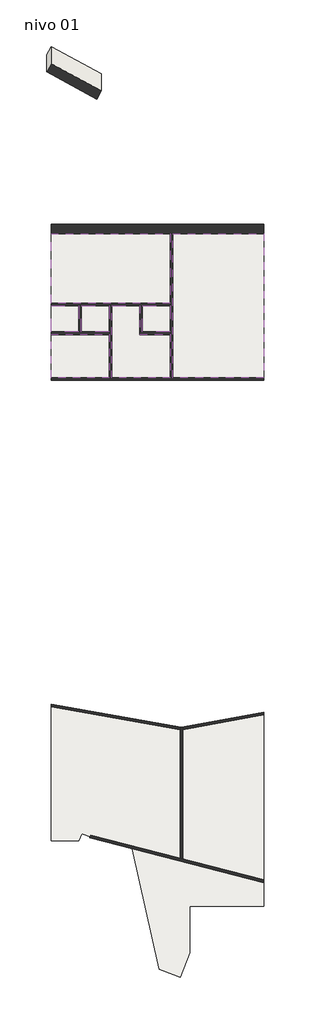
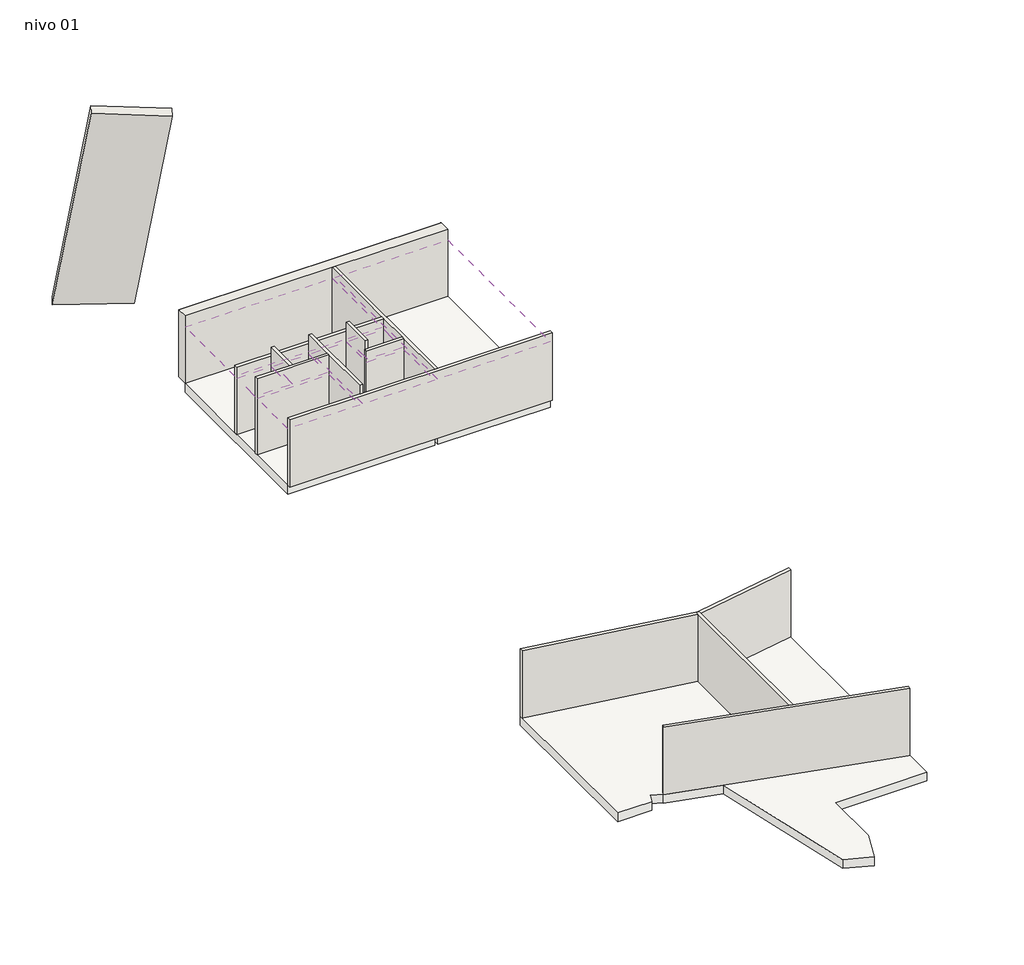
# One storey: 15 walls, 7 coverings, 3 slabs.
"""IFC4 building model written with IfcOpenShell, lengths in millimetres."""

from ifc_helpers import new_model, si_unit, frame, origin, place, context, project, spatial, polyline, outline, extrude, faceted_brep, element, save

model = new_model("IFC4")

# Units and contexts
model_context = context("Model", 3, world=origin())
ifc_project = project(units=[si_unit("LENGTHUNIT", "METRE", prefix="MILLI")], contexts=[model_context])

# Site, building, storey
site = spatial("IfcSite", under=ifc_project)
building = spatial("IfcBuilding", under=site)
storey = spatial("IfcBuildingStorey", under=building, Name="nivo 01", Elevation=3500.0)

# Coverings
placement = place(None, origin())
element("IfcCovering", 1, ObjectType="Raster 60x120", at=placement, inside=storey, context=model_context, shape_type="SweptSolid", body=[
    extrude(outline(polyline([(5734.6211823, 17026.6266248), (5734.6211823, 9296.1625103), (837.3151795, 9296.1625103), (837.3151795, 17026.6266248), (5734.6211823, 17026.6266248)])), frame((0.0, 0.0, 6100.0), z_axis=(0.0, 0.0, 1.0), x_axis=(1.0, 0.0, 0.0)), (0.0, 0.0, 1.0), 52.0),
])
element("IfcCovering", 2, ObjectType="Raster 60x120", at=placement, inside=storey, context=model_context, shape_type="SweptSolid", body=[
    extrude(outline(polyline([(702.3151795, 13282.2839664), (-5685.1848205, 13282.2839664), (-5685.1848205, 17026.6266248), (702.3151795, 17026.6266248), (702.3151795, 13282.2839664)])), frame((0.0, 0.0, 6100.0), z_axis=(0.0, 0.0, 1.0), x_axis=(1.0, 0.0, 0.0)), (0.0, 0.0, 1.0), 52.0),
])
element("IfcCovering", 3, ObjectType="Raster 60x120", at=placement, inside=storey, context=model_context, shape_type="SweptSolid", body=[
    extrude(outline(polyline([(702.3151795, 13147.2839664), (702.3151795, 11747.2839664), (-793.3098205, 11747.2839664), (-793.3098205, 13147.2839664), (702.3151795, 13147.2839664)])), frame((0.0, 0.0, 6100.0), z_axis=(0.0, 0.0, 1.0), x_axis=(1.0, 0.0, 0.0)), (0.0, 0.0, 1.0), 52.0),
])
element("IfcCovering", 4, ObjectType="Raster 60x120", at=placement, inside=storey, context=model_context, shape_type="SweptSolid", body=[
    extrude(outline(polyline([(702.3151795, 11612.2839664), (702.3151795, 9296.1625103), (-2423.9348205, 9296.1625103), (-2423.9348205, 13147.2839664), (-928.3098205, 13147.2839664), (-928.3098205, 11612.2839664), (702.3151795, 11612.2839664)])), frame((0.0, 0.0, 6100.0), z_axis=(0.0, 0.0, 1.0), x_axis=(1.0, 0.0, 0.0)), (0.0, 0.0, 1.0), 52.0),
])
element("IfcCovering", 5, ObjectType="Raster 60x120", at=placement, inside=storey, context=model_context, shape_type="SweptSolid", body=[
    extrude(outline(polyline([(-5685.1848205, 9296.1625103), (-5685.1848205, 11612.2839664), (-2558.9348205, 11612.2839664), (-2558.9348205, 9296.1625103), (-5685.1848205, 9296.1625103)])), frame((0.0, 0.0, 6100.0), z_axis=(0.0, 0.0, 1.0), x_axis=(1.0, 0.0, 0.0)), (0.0, 0.0, 1.0), 52.0),
])
element("IfcCovering", 6, ObjectType="Raster 60x120", at=placement, inside=storey, context=model_context, shape_type="SweptSolid", body=[
    extrude(outline(polyline([(-4054.5598205, 13147.2839664), (-2558.9348205, 13147.2839664), (-2558.9348205, 11747.2839664), (-4054.5598205, 11747.2839664), (-4054.5598205, 13147.2839664)])), frame((0.0, 0.0, 6100.0), z_axis=(0.0, 0.0, 1.0), x_axis=(1.0, 0.0, 0.0)), (0.0, 0.0, 1.0), 52.0),
])
element("IfcCovering", 7, ObjectType="Raster 60x120", at=placement, inside=storey, context=model_context, shape_type="SweptSolid", body=[
    extrude(outline(polyline([(-5685.1848205, 11747.2839664), (-5685.1848205, 13147.2839664), (-4189.5598205, 13147.2839664), (-4189.5598205, 11747.2839664), (-5685.1848205, 11747.2839664)])), frame((0.0, 0.0, 6100.0), z_axis=(0.0, 0.0, 1.0), x_axis=(1.0, 0.0, 0.0)), (0.0, 0.0, 1.0), 52.0),
])

# Slabs
element("IfcSlab", 8, at=placement, inside=storey, context=model_context, shape_type="SweptSolid", body=[
    extrude(outline(polyline([(1310.9813552, -9448.326466), (5734.6211391, -8653.0133704), (5734.6211391, -19049.7580117), (1749.904427, -19049.7580117), (1749.904427, -21540.8956828), (1240.7413575, -22867.3108273), (116.2807237, -22435.6708311), (-1321.85755, -15952.3887518), (-3596.7578587, -15363.1194669), (-3582.3111987, -15325.4846309), (-4039.7656076, -15149.8843356), (-4190.2801464, -15541.9881147), (-5685.1848637, -15541.9881147), (-5685.1848637, -8214.7858063), (1310.9813552, -9448.326466)])), frame((0.0, 0.0, 3100.0), z_axis=(0.0, 0.0, 1.0), x_axis=(1.0, 0.0, 0.0)), (0.0, 0.0, 1.0), 400.0),
])
element("IfcSlab", 9, at=placement, inside=storey, context=model_context, shape_type="SweptSolid", body=[
    extrude(outline(polyline([(-5685.1848205, 17026.6266248), (702.3151795, 17026.6266248), (702.3151795, 9296.1625103), (-5685.1848205, 9296.1625103), (-5685.1848205, 17026.6266248)])), frame((0.0, 0.0, 3100.0), z_axis=(0.0, 0.0, 1.0), x_axis=(1.0, 0.0, 0.0)), (0.0, 0.0, 1.0), 400.0),
])
element("IfcSlab", 10, at=placement, inside=storey, context=model_context, shape_type="SweptSolid", body=[
    extrude(outline(polyline([(5734.6211823, 17026.6266248), (5734.6211823, 9296.1625103), (837.3151795, 9296.1625103), (837.3151795, 17026.6266248), (5734.6211823, 17026.6266248)])), frame((0.0, 0.0, 3100.0), z_axis=(0.0, 0.0, 1.0), x_axis=(1.0, 0.0, 0.0)), (0.0, 0.0, 1.0), 400.0),
])

# Walls
element("IfcWall", 11, at=placement, inside=storey, context=model_context, shape_type="Brep", body=[
    faceted_brep([(-5685.1848205, 17026.6266248, 3500.0), (702.3151795, 17026.6266248, 3500.0), (837.3151795, 17026.6266248, 3500.0), (5734.6211823, 17026.6266248, 3500.0), (5734.6211823, 17026.6266248, 6600.0), (837.3151795, 17026.6266248, 6600.0), (702.3151795, 17026.6266248, 6600.0), (-5685.1848637, 17026.6266248, 6600.0), (-5685.1848205, 17516.6266248, 3500.0), (-5685.1848205, 17516.6266248, 6600.0), (5734.6211823, 17516.6266248, 6600.0), (5734.6211823, 17516.6266248, 3500.0), (-5685.1848205, 17512.2838884, 6600.0), (5734.6211823, 17512.2838884, 6600.0)], [[[0, 1, 2, 3, 4, 5, 6, 7]], [[8, 9, 10, 11]], [[3, 2, 1, 0, 8, 11]], [[0, 7, 12, 9, 8]], [[13, 10, 9, 12]], [[7, 6, 5, 4, 13, 12]], [[4, 3, 11, 10, 13]]]),
])
element("IfcWall", 12, at=placement, inside=storey, context=model_context, shape_type="Brep", body=[
    faceted_brep([(-5685.1848205, 17026.6266248, 3500.0), (702.3151795, 17026.6266248, 3500.0), (837.3151795, 17026.6266248, 3500.0), (5734.6211823, 17026.6266248, 3500.0), (5734.6211823, 17026.6266248, 6600.0), (837.3151795, 17026.6266248, 6600.0), (702.3151795, 17026.6266248, 6600.0), (-5685.1848637, 17026.6266248, 6600.0), (-5685.1848205, 17516.6266248, 3500.0), (-5685.1848205, 17516.6266248, 6600.0), (5734.6211823, 17516.6266248, 6600.0), (5734.6211823, 17516.6266248, 3500.0), (-5685.1848205, 17512.2838884, 6600.0), (5734.6211823, 17512.2838884, 6600.0)], [[[0, 1, 2, 3, 4, 5, 6, 7]], [[8, 9, 10, 11]], [[3, 2, 1, 0, 8, 11]], [[0, 7, 12, 9, 8]], [[13, 10, 9, 12]], [[7, 6, 5, 4, 13, 12]], [[4, 3, 11, 10, 13]]]),
])
element("IfcWall", 13, at=placement, inside=storey, context=model_context, shape_type="Brep", body=[
    faceted_brep([(-2980.778925, 22726.8747001, 11742.3825909), (-2980.778925, 25585.6622887, 1396.6666667), (-5685.1848205, 27054.6479441, 1396.6666667), (-5685.1848205, 24135.5935292, 11960.4832527), (-3221.4582282, 22283.7835615, 11742.3825909), (-5925.8641237, 23692.5023906, 11960.4832527), (-5925.8641237, 26611.5568055, 1396.6666667), (-3221.4582282, 25142.5711501, 1396.6666667)], [[[0, 1, 2, 3]], [[4, 5, 6, 7]], [[5, 4, 0, 3]], [[6, 5, 3, 2]], [[7, 6, 2, 1]], [[4, 7, 1, 0]]]),
])
element("IfcWall", 14, ObjectType="21.20_ZID_gipskarton12.5", at=placement, inside=storey, context=model_context, shape_type="Brep", body=[
    faceted_brep([(5734.6211823, -17640.847264, 3500.0), (1382.0861166, -16513.4065512, 3500.0), (1247.0861166, -16478.4373909, 3500.0), (-3548.0672835, -15236.3448894, 3500.0), (-3548.0672835, -15236.3448894, 6600.0), (1247.0861166, -16478.4373909, 6600.0), (1382.0861166, -16513.4065512, 6600.0), (5734.6211391, -17640.8472528, 6600.0), (5734.6211823, -17780.3027844, 3500.0), (5734.6211823, -17780.3027844, 6600.0), (-1321.8414092, -15952.4615162, 6600.0), (-3596.7578154, -15363.1880615, 6600.0), (-3596.7578154, -15363.1880615, 3500.0), (-3582.3816689, -15325.7369194, 6600.0)], [[[0, 1, 2, 3, 4, 5, 6, 7]], [[8, 9, 10, 11, 12]], [[3, 2, 1, 0, 8, 12]], [[7, 6, 5, 4, 13, 11, 10, 9]], [[0, 7, 9, 8]], [[4, 3, 12, 11, 13]]]),
])
element("IfcWall", 15, ObjectType="21.20_ZID_gipskarton12.5", at=placement, inside=storey, context=model_context, shape_type="Brep", body=[
    faceted_brep([(1382.0861166, -16513.4065512, 3500.0), (1382.0861166, -9572.7002484, 3500.0), (1382.0861166, -9460.936601, 3500.0), (1382.0861166, -9460.936601, 6600.0), (1382.0861166, -9572.7002484, 6600.0), (1382.0861166, -16513.4065512, 6600.0), (1247.0861166, -16478.4373909, 3500.0), (1247.0861166, -16478.4373909, 6600.0), (1247.0861166, -9574.2162026, 6600.0), (1247.0861166, -9437.1338519, 6600.0), (1247.0861166, -9437.1338519, 3500.0), (1247.0861166, -9574.2162026, 3500.0), (1310.7562509, -9448.3599573, 3500.0), (1310.7562509, -9448.3599573, 6600.0)], [[[0, 1, 2, 3, 4, 5]], [[6, 7, 8, 9, 10, 11]], [[2, 1, 0, 6, 11, 10, 12]], [[0, 5, 7, 6]], [[3, 2, 12, 10, 9, 13]], [[5, 4, 3, 13, 9, 8, 7]]]),
])
element("IfcWall", 16, ObjectType="21.20_ZID_gipskarton12.5", at=placement, inside=storey, context=model_context, shape_type="Brep", body=[
    faceted_brep([(1247.0861166, -9437.1338519, 3500.0), (-5685.1848205, -8214.8589949, 3500.0), (-5685.1848205, -8214.8589949, 6600.0), (1247.0861166, -9437.1338519, 6600.0), (1247.0861166, -9574.2162026, 3500.0), (1247.0861166, -9574.2162026, 6600.0), (-5685.1848637, -8351.941338, 6600.0), (-5685.1848205, -8351.9413456, 3500.0)], [[[0, 1, 2, 3]], [[4, 5, 6, 7]], [[1, 0, 4, 7]], [[0, 3, 5, 4]], [[2, 1, 7, 6]], [[3, 2, 6, 5]]]),
])
element("IfcWall", 17, ObjectType="21.20_ZID_gipskarton12.5", at=placement, inside=storey, context=model_context, shape_type="Brep", body=[
    faceted_brep([(1382.0861166, -9572.7002484, 3500.0), (5734.6211823, -8790.1708596, 3500.0), (5734.6211823, -8790.1708596, 6600.0), (1382.0861166, -9572.7002484, 6600.0), (1310.7562509, -9448.3599573, 3500.0), (1310.7562509, -9448.3599573, 6600.0), (5734.6211391, -8653.0063909, 6600.0), (5734.6211823, -8653.0063832, 3500.0), (1382.0861166, -9460.936601, 3500.0), (1382.0861166, -9460.936601, 6600.0)], [[[0, 1, 2, 3]], [[4, 5, 6, 7]], [[1, 0, 8, 4, 7]], [[0, 3, 9, 8]], [[9, 5, 4, 8]], [[3, 2, 6, 5, 9]], [[2, 1, 7, 6]]]),
])
element("IfcWall", 18, ObjectType="21.20_ZID_gipskarton12.5", at=placement, inside=storey, context=model_context, shape_type="Brep", body=[
    faceted_brep([(5734.6211823, 9296.1625103, 3500.0), (837.3151795, 9296.1625103, 3500.0), (702.3151795, 9296.1625103, 3500.0), (-2423.9348205, 9296.1625103, 3500.0), (-2558.9348205, 9296.1625103, 3500.0), (-5685.1848205, 9296.1625103, 3500.0), (-5685.1848205, 9296.1625103, 6600.0), (702.3151795, 9296.1625103, 6600.0), (837.3151795, 9296.1625103, 6600.0), (5734.6211391, 9296.1625103, 6600.0), (5734.6211823, 9161.1625103, 3500.0), (5734.6211823, 9161.1625103, 6600.0), (-5685.1848637, 9161.1625103, 6600.0), (-5685.1848205, 9161.1625103, 3500.0)], [[[0, 1, 2, 3, 4, 5, 6, 7, 8, 9]], [[10, 11, 12, 13]], [[5, 4, 3, 2, 1, 0, 10, 13]], [[6, 5, 13, 12]], [[9, 8, 7, 6, 12, 11]], [[0, 9, 11, 10]]]),
])
element("IfcWall", 19, ObjectType="21.20_ZID_gipskarton12.5", at=placement, inside=storey, context=model_context, shape_type="Brep", body=[
    faceted_brep([(837.3151795, 9296.1625103, 3500.0), (837.3151795, 17026.6266248, 3500.0), (837.3151795, 17026.6266248, 6600.0), (837.3151795, 9296.1625103, 6600.0), (702.3151795, 9296.1625103, 3500.0), (702.3151795, 9296.1625103, 6600.0), (702.3151795, 11612.2839664, 6600.0), (702.3151795, 11747.2839664, 6600.0), (702.3151795, 13147.2839664, 6600.0), (702.3151795, 13282.2839664, 6600.0), (702.3151795, 17026.6266248, 6600.0), (702.3151795, 17026.6266248, 3500.0), (702.3151795, 13282.2839664, 3500.0), (702.3151795, 13147.2839664, 3500.0), (702.3151795, 11747.2839664, 3500.0), (702.3151795, 11612.2839664, 3500.0)], [[[0, 1, 2, 3]], [[4, 5, 6, 7, 8, 9, 10, 11, 12, 13, 14, 15]], [[1, 0, 4, 15, 14, 13, 12, 11]], [[2, 1, 11, 10]], [[0, 3, 5, 4]], [[3, 2, 10, 9, 8, 7, 6, 5]]]),
])
element("IfcWall", 20, ObjectType="21.20_ZID_gipskarton12.5", at=placement, inside=storey, context=model_context, shape_type="Brep", body=[
    faceted_brep([(-5685.1848205, 13147.2839664, 3500.0), (-4189.5598205, 13147.2839664, 3500.0), (-4054.5598205, 13147.2839664, 3500.0), (-2558.9348205, 13147.2839664, 3500.0), (-2423.9348205, 13147.2839664, 3500.0), (-928.3098205, 13147.2839664, 3500.0), (-793.3098205, 13147.2839664, 3500.0), (702.3151795, 13147.2839664, 3500.0), (702.3151795, 13147.2839664, 6600.0), (-5685.1848637, 13147.2839664, 6600.0), (-5685.1848205, 13282.2839664, 3500.0), (-5685.1848205, 13282.2839664, 6600.0), (702.3151795, 13282.2839664, 6600.0), (702.3151795, 13282.2839664, 3500.0)], [[[0, 1, 2, 3, 4, 5, 6, 7, 8, 9]], [[10, 11, 12, 13]], [[7, 6, 5, 4, 3, 2, 1, 0, 10, 13]], [[0, 9, 11, 10]], [[8, 7, 13, 12]], [[9, 8, 12, 11]]]),
])
element("IfcWall", 21, ObjectType="21.20_ZID_gipskarton12.5", at=placement, inside=storey, context=model_context, shape_type="Brep", body=[
    faceted_brep([(-2423.9348205, 9296.1625103, 3500.0), (-2423.9348205, 13147.2839664, 3500.0), (-2423.9348205, 13147.2839664, 7000.0), (-2423.9348205, 9296.1625103, 7000.0), (-2558.9348205, 9296.1625103, 3500.0), (-2558.9348205, 9296.1625103, 7000.0), (-2558.9348205, 11612.2839664, 7000.0), (-2558.9348205, 11747.2839664, 7000.0), (-2558.9348205, 13147.2839664, 7000.0), (-2558.9348205, 13147.2839664, 3500.0), (-2558.9348205, 11747.2839664, 3500.0), (-2558.9348205, 11612.2839664, 3500.0)], [[[0, 1, 2, 3]], [[4, 5, 6, 7, 8, 9, 10, 11]], [[1, 0, 4, 11, 10, 9]], [[3, 2, 8, 7, 6, 5]], [[0, 3, 5, 4]], [[2, 1, 9, 8]]]),
])
element("IfcWall", 22, ObjectType="21.20_ZID_gipskarton12.5", at=placement, inside=storey, context=model_context, shape_type="Brep", body=[
    faceted_brep([(-2558.9348205, 11747.2839664, 3500.0), (-4054.5598205, 11747.2839664, 3500.0), (-4189.5598205, 11747.2839664, 3500.0), (-5685.1848205, 11747.2839664, 3500.0), (-5685.1848205, 11747.2839664, 7000.0), (-4189.5598205, 11747.2839664, 7000.0), (-4054.5598205, 11747.2839664, 7000.0), (-2558.9348205, 11747.2839664, 7000.0), (-2558.9348205, 11612.2839664, 3500.0), (-2558.9348205, 11612.2839664, 7000.0), (-5685.1848205, 11612.2839664, 7000.0), (-5685.1848205, 11612.2839664, 3500.0)], [[[0, 1, 2, 3, 4, 5, 6, 7]], [[8, 9, 10, 11]], [[3, 2, 1, 0, 8, 11]], [[7, 6, 5, 4, 10, 9]], [[4, 3, 11, 10]], [[0, 7, 9, 8]]]),
])
element("IfcWall", 23, ObjectType="21.20_ZID_gipskarton12.5", at=placement, inside=storey, context=model_context, shape_type="SweptSolid", body=[
    extrude(outline(polyline([(-4054.5598205, 13147.2839664), (-4054.5598205, 11747.2839664), (-4189.5598205, 11747.2839664), (-4189.5598205, 13147.2839664), (-4054.5598205, 13147.2839664)])), frame((0.0, 0.0, 3500.0), z_axis=(0.0, 0.0, 1.0), x_axis=(1.0, 0.0, 0.0)), (0.0, 0.0, 1.0), 3500.0),
])
element("IfcWall", 24, ObjectType="21.20_ZID_gipskarton12.5", at=placement, inside=storey, context=model_context, shape_type="Brep", body=[
    faceted_brep([(702.3151795, 11747.2839664, 3500.0), (-793.3098205, 11747.2839664, 3500.0), (-928.3098205, 11747.2839664, 3500.0), (-928.3098205, 11747.2839664, 6600.0), (702.3151795, 11747.2839664, 6600.0), (702.3151795, 11612.2839664, 3500.0), (702.3151795, 11612.2839664, 6600.0), (-928.3098205, 11612.2839664, 6600.0), (-928.3098205, 11612.2839664, 3500.0)], [[[0, 1, 2, 3, 4]], [[5, 6, 7, 8]], [[2, 1, 0, 5, 8]], [[0, 4, 6, 5]], [[3, 2, 8, 7]], [[4, 3, 7, 6]]]),
])
element("IfcWall", 25, ObjectType="21.20_ZID_gipskarton12.5", at=placement, inside=storey, context=model_context, shape_type="Brep", body=[
    faceted_brep([(-793.3098205, 11747.2839664, 3500.0), (-793.3098205, 13147.2839664, 3500.0), (-793.3098205, 13147.2839664, 7000.0), (-793.3098205, 11747.2839664, 7000.0), (-928.3098205, 11747.2839664, 3500.0), (-928.3098205, 11747.2839664, 6600.0), (-928.3098205, 11747.2839664, 7000.0), (-928.3098205, 13147.2839664, 7000.0), (-928.3098205, 13147.2839664, 3500.0)], [[[0, 1, 2, 3]], [[4, 5, 6, 7, 8]], [[1, 0, 4, 8]], [[3, 2, 7, 6]], [[0, 3, 6, 5, 4]], [[2, 1, 8, 7]]]),
])

save(model, "model.ifc")
